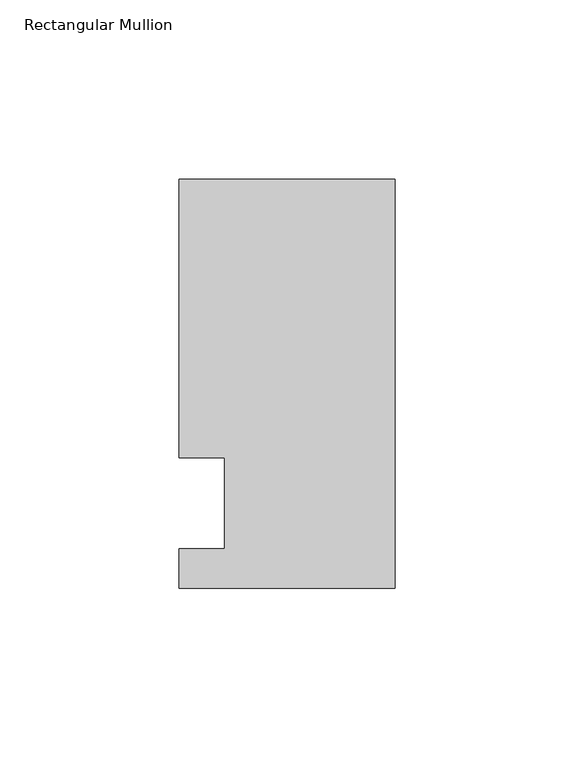
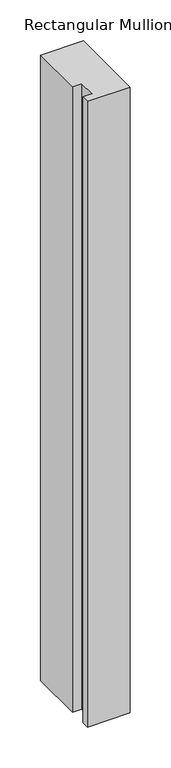
"""IFC4 building model written with IfcOpenShell, lengths in millimetres: member geometry, Rectangular Mullion."""

from ifc_helpers import new_model, si_unit, frame, origin, place, context, project, spatial, polyline, outline, extrude, source, transform, mapped, element, save


def rectangular_mullion_b6b24187(model_context):
    return source(origin(), model_context, "Body", "SweptSolid", [
        extrude(outline(polyline([(-60.325, 90.4875), (0.0, 90.4875), (0.0, -23.8125), (-60.325, -23.8125), (-60.325, -12.7), (-47.6232296, -12.7), (-47.6232296, 12.7), (-60.325, 12.7), (-60.325, 90.4875)])), frame((0.0, 0.0, -934.6094027), z_axis=(0.0, 0.0, 1.0), x_axis=(1.0, 0.0, 0.0)), (0.0, 0.0, 1.0), 934.6094027),
    ])


if __name__ == "__main__":
    model = new_model("IFC4")
    model_context = context("Model", 3, world=origin())
    ifc_project = project(units=[si_unit("LENGTHUNIT", "METRE", prefix="MILLI")], contexts=[model_context])
    site = spatial("IfcSite", under=ifc_project)
    building = spatial("IfcBuilding", under=site)
    placement = place(None, origin())
    rectangular_mullion_shape = rectangular_mullion_b6b24187(model_context)
    element("IfcMember", 1, ObjectType="Rectangular Mullion", at=placement, inside=building, context=model_context, shape_type="MappedRepresentation", body=[
        mapped(rectangular_mullion_shape, transform((0.0, 0.0, 0.0), x_axis=(1.0, 0.0, 0.0), y_axis=(0.0, 1.0, 0.0), z_axis=(0.0, 0.0, 1.0))),
    ])
    save(model, "model.ifc")
